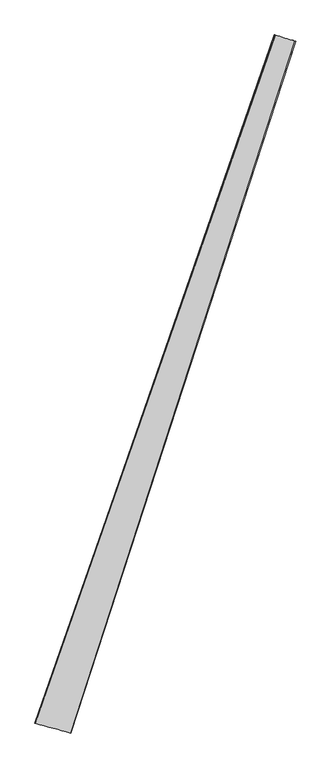
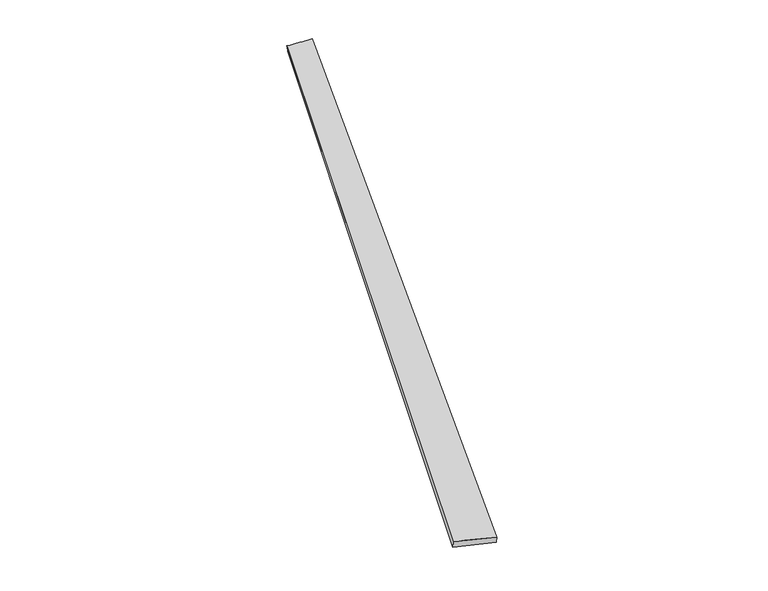
"""IFC4 building model written with IfcOpenShell, lengths in millimetres: proxy geometry."""

from ifc_helpers import new_model, si_unit, origin, place, context, project, spatial, source, transform, mapped, element, save
from ifc_brep_helpers import spline_surface, advanced_brep


def generic_models_e7e12bb1(model_context):
    return source(origin(), model_context, "Body", "AdvancedBrep", [
        advanced_brep(
        [(-671.2594195, -1700.5238627, 5.6990862), (-669.6771379, -1700.9547527, 35.6542314), (660.7268836, 2126.5800137, 19.6707233), (665.5313476, 2124.7806098, -9.8873428), (-471.0146365, -1755.1114987, 24.2207857), (774.5864622, 2091.3147022, 39.5940664), (-472.9340697, -1754.3651273, -5.7084426), (778.6621416, 2090.1083802, 9.8966991)],
        [
            (0, 1),
            (1, 2),
            (2, 3),
            (3, 0),
            (1, 4),
            (4, 5),
            (5, 2),
            (4, 6),
            (6, 7),
            (7, 5),
            (6, 0),
            (3, 7),
        ],
        [
            spline_surface(1, 1, [[(-671.2594195, -1700.5238627, 5.6990862), (665.5313476, 2124.7806098, -9.8873428)], [(-669.6771379, -1700.9547527, 35.6542314), (660.7268836, 2126.5800137, 19.6707233)]], [2, 2], [2, 2], [0.0, 1.0], [0.0, 1.0]),
            spline_surface(1, 1, [[(-669.6771379, -1700.9547527, 35.6542314), (660.7268836, 2126.5800137, 19.6707233)], [(-471.0146365, -1755.1114987, 24.2207857), (774.5864622, 2091.3147022, 39.5940664)]], [2, 2], [2, 2], [0.0, 1.0], [0.0, 1.0]),
            spline_surface(1, 1, [[(-471.0146365, -1755.1114987, 24.2207857), (774.5864622, 2091.3147022, 39.5940664)], [(-472.9340697, -1754.3651273, -5.7084426), (778.6621416, 2090.1083802, 9.8966991)]], [2, 2], [2, 2], [0.0, 1.0], [0.0, 1.0]),
            spline_surface(1, 1, [[(-472.9340697, -1754.3651273, -5.7084426), (778.6621416, 2090.1083802, 9.8966991)], [(-671.2594195, -1700.5238627, 5.6990862), (665.5313476, 2124.7806098, -9.8873428)]], [2, 2], [2, 2], [0.0, 1.0], [0.0, 1.0]),
            spline_surface(1, 1, [[(660.7268836, 2126.5800137, 19.6707233), (665.5313476, 2124.7806098, -9.8873428)], [(774.5864622, 2091.3147022, 39.5940664), (778.6621416, 2090.1083802, 9.8966991)]], [2, 2], [2, 2], [0.0, 1.0], [0.0, 1.0]),
            spline_surface(1, 1, [[(-472.9340697, -1754.3651273, -5.7084426), (-671.2594195, -1700.5238627, 5.6990862)], [(-471.0146365, -1755.1114987, 24.2207857), (-669.6771379, -1700.9547527, 35.6542314)]], [2, 2], [2, 2], [0.0, 1.0], [0.0, 1.0]),
        ],
        [
            (0, [[1, 2, 3, 4]]),
            (1, [[5, 6, 7, -2]]),
            (2, [[8, 9, 10, -6]]),
            (3, [[11, -4, 12, -9]]),
            (4, [[-3, -7, -10, -12]]),
            (5, [[-11, -8, -5, -1]]),
        ],
    ),
    ])


if __name__ == "__main__":
    model = new_model("IFC4")
    model_context = context("Model", 3, world=origin())
    ifc_project = project(units=[si_unit("LENGTHUNIT", "METRE", prefix="MILLI")], contexts=[model_context])
    site = spatial("IfcSite", under=ifc_project)
    building = spatial("IfcBuilding", under=site)
    placement = place(None, origin())
    generic_models_shape = generic_models_e7e12bb1(model_context)
    element("IfcBuildingElementProxy", 1, Name="Generic Models", at=placement, inside=building, context=model_context, shape_type="MappedRepresentation", body=[
        mapped(generic_models_shape, transform((0.0, 0.0, 0.0), x_axis=(1.0, 0.0, 0.0), y_axis=(0.0, 1.0, 0.0), z_axis=(0.0, 0.0, 1.0))),
    ])
    save(model, "model.ifc")
